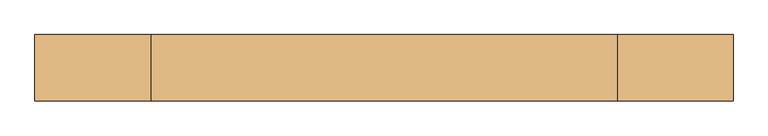
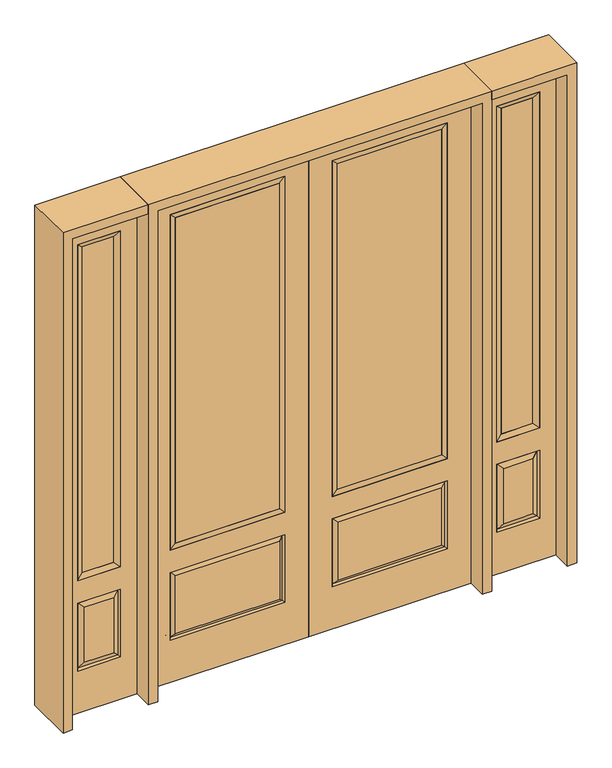
"""IFC4 building model written with IfcOpenShell, lengths in millimetres: door geometry."""

from ifc_helpers import new_model, si_unit, frame, origin, place, context, project, spatial, polyline, outline, extrude, faceted_brep, source, transform, mapped, element, save


def door_45846f29(model_context):
    return source(origin(), model_context, "Body", "SolidModel", [
        extrude(outline(polyline([(136.525, -20.32), (136.525, 5.08), (625.475, 5.08), (625.475, -20.32), (136.525, -20.32)])), frame((0.0, 0.0, 682.498), z_axis=(0.0, 0.0, 1.0), x_axis=(1.0, 0.0, 0.0)), (0.0, 0.0, 1.0), 1616.202),
        faceted_brep([(643.7661499, -12.7912373, 216.6588501), (626.26875, -22.225, 234.15625), (135.73125, -22.225, 234.15625), (118.2338501, -12.7912373, 216.6588501), (111.125, -22.225, 209.55), (650.875, -22.225, 209.55), (650.875, -22.225, 546.1), (643.7661499, -12.7912373, 538.9911499), (0.0, -22.225, 2438.4), (0.0, -22.225, 0.0), (762.0, -22.225, 0.0), (762.0, -22.225, 2438.4), (111.125, -22.225, 546.1), (111.125, -22.225, 2324.1), (650.875, -22.225, 2324.1), (650.875, -22.225, 657.098), (111.125, -22.225, 657.098), (626.26875, -22.225, 521.49375), (135.73125, -22.225, 521.49375), (118.2338501, -12.7912373, 538.9911499), (762.0, 22.225, 0.0), (762.0, 22.225, 2438.4), (0.0, 22.225, 0.0), (0.0, 22.225, 2438.4), (111.125, 22.225, 657.098), (111.125, 22.225, 2324.1), (650.875, 22.225, 657.098), (650.875, 22.225, 2324.1), (135.73125, 22.225, 234.15625), (135.73125, 22.225, 521.49375), (626.26875, 22.225, 521.49375), (626.26875, 22.225, 234.15625), (650.875, 22.225, 209.55), (650.875, 22.225, 546.1), (111.125, 22.225, 546.1), (111.125, 22.225, 209.55), (118.2338501, 12.7912373, 216.6588501), (643.7661499, 12.7912373, 216.6588501), (118.2338501, 12.7912373, 538.9911499), (643.7661499, 12.7912373, 538.9911499)], [[[0, 1, 2, 3]], [[3, 4, 5, 0]], [[5, 6, 7, 0]], [[8, 9, 10, 11], [4, 12, 6, 5], [13, 14, 15, 16]], [[1, 17, 18, 2]], [[3, 19, 12, 4]], [[2, 18, 19, 3]], [[0, 7, 17, 1]], [[6, 12, 19, 7]], [[7, 19, 18, 17]], [[10, 20, 21, 11]], [[9, 22, 20, 10]], [[8, 23, 22, 9]], [[16, 24, 25, 13]], [[15, 26, 24, 16]], [[14, 27, 26, 15]], [[28, 29, 30, 31]], [[23, 21, 20, 22], [25, 24, 26, 27], [32, 33, 34, 35]], [[32, 35, 36, 37]], [[35, 34, 38, 36]], [[39, 38, 34, 33]], [[37, 39, 33, 32]], [[36, 28, 31, 37]], [[31, 30, 39, 37]], [[30, 29, 38, 39]], [[36, 38, 29, 28]], [[11, 21, 23, 8]], [[13, 25, 27, 14]]]),
        faceted_brep([(650.875, -22.225, 2324.1), (650.875, -22.225, 657.098), (650.875, 22.225, 657.098), (650.875, 22.225, 2324.1), (111.125, -22.225, 657.098), (111.125, 22.225, 657.098), (136.525, 5.08, 682.498), (625.475, 5.08, 682.498), (111.125, -22.225, 2324.1), (111.125, 22.225, 2324.1), (625.475, -20.32, 682.498), (136.525, -20.32, 682.498), (625.475, -20.32, 2298.7), (136.525, -20.32, 2298.7), (625.475, 5.08, 2298.7), (136.525, 5.08, 2298.7)], [[[0, 1, 2, 3]], [[1, 4, 5, 2]], [[2, 5, 6, 7]], [[4, 8, 9, 5]], [[10, 11, 4, 1]], [[12, 10, 1, 0]], [[11, 13, 8, 4]], [[7, 6, 11, 10]], [[14, 7, 10, 12]], [[6, 15, 13, 11]], [[3, 2, 7, 14]], [[5, 9, 15, 6]], [[8, 0, 3, 9]], [[13, 12, 0, 8]], [[15, 14, 12, 13]], [[9, 3, 14, 15]]]),
        faceted_brep([(806.45, -22.225, 0.0), (1162.05, -22.225, 0.0), (1162.05, -22.225, 2438.4), (806.45, -22.225, 2438.4), (1084.58, -22.225, 2325.624), (1084.58, -22.225, 657.098), (883.92, -22.225, 657.098), (883.92, -22.225, 2325.624), (1084.58, -22.225, 209.55), (883.92, -22.225, 209.55), (883.92, -22.225, 546.1), (1084.58, -22.225, 546.1), (915.6351001, -22.225, 241.2651001), (1052.8648999, -22.225, 241.2651001), (1052.8648999, -22.225, 514.3848999), (915.6351001, -22.225, 514.3848999), (806.45, 22.225, 0.0), (806.45, 22.225, 2438.4), (1162.05, 22.225, 2438.4), (1162.05, 22.225, 0.0), (1084.58, 22.225, 2325.624), (883.92, 22.225, 2325.624), (883.92, 22.225, 657.098), (1084.58, 22.225, 657.098), (883.92, 22.225, 209.55), (1084.58, 22.225, 209.55), (1084.58, 22.225, 546.1), (883.92, 22.225, 546.1), (1052.8648999, 22.225, 241.2651001), (915.6351001, 22.225, 241.2651001), (915.6351001, 22.225, 514.3848999), (1052.8648999, 22.225, 514.3848999), (1077.4711499, 12.7912373, 216.6588501), (891.0288501, 12.7912373, 216.6588501), (891.0288501, 12.7912373, 538.9911499), (1077.4711499, 12.7912373, 538.9911499), (891.0288501, -12.7912373, 216.6588501), (1077.4711499, -12.7912373, 216.6588501), (891.0288501, -12.7912373, 538.9911499), (1077.4711499, -12.7912373, 538.9911499)], [[[0, 1, 2, 3], [4, 5, 6, 7], [8, 9, 10, 11]], [[12, 13, 14, 15]], [[16, 17, 18, 19], [20, 21, 22, 23], [24, 25, 26, 27]], [[28, 29, 30, 31]], [[1, 0, 16, 19]], [[2, 1, 19, 18]], [[3, 2, 18, 17]], [[0, 3, 17, 16]], [[5, 4, 20, 23]], [[6, 5, 23, 22]], [[7, 6, 22, 21]], [[4, 7, 21, 20]], [[32, 33, 29, 28]], [[33, 32, 25, 24]], [[29, 33, 34, 30]], [[33, 24, 27, 34]], [[30, 34, 35, 31]], [[34, 27, 26, 35]], [[32, 28, 31, 35]], [[25, 32, 35, 26]], [[12, 36, 37, 13]], [[37, 36, 9, 8]], [[36, 12, 15, 38]], [[9, 36, 38, 10]], [[38, 15, 14, 39]], [[10, 38, 39, 11]], [[13, 37, 39, 14]], [[37, 8, 11, 39]]]),
        faceted_brep([(883.92, 22.225, 2325.624), (883.92, -22.225, 2325.624), (1084.58, -22.225, 2325.624), (1084.58, 22.225, 2325.624), (909.32, 12.7, 2300.224), (1059.18, 12.7, 2300.224), (909.32, -12.7, 2300.224), (1059.18, -12.7, 2300.224), (1084.58, -22.225, 657.098), (1084.58, 22.225, 657.098), (1059.18, 12.7, 682.498), (1059.18, -12.7, 682.498), (883.92, -22.225, 657.098), (883.92, 22.225, 657.098), (909.32, 12.7, 682.498), (909.32, -12.7, 682.498)], [[[0, 1, 2, 3]], [[4, 0, 3, 5]], [[6, 4, 5, 7]], [[1, 6, 7, 2]], [[3, 2, 8, 9]], [[5, 3, 9, 10]], [[7, 5, 10, 11]], [[2, 7, 11, 8]], [[9, 8, 12, 13]], [[10, 9, 13, 14]], [[11, 10, 14, 15]], [[8, 11, 15, 12]], [[13, 12, 1, 0]], [[14, 13, 0, 4]], [[15, 14, 4, 6]], [[12, 15, 6, 1]]]),
        extrude(outline(polyline([(1059.18, -12.7), (909.32, -12.7), (909.32, 12.7), (1059.18, 12.7), (1059.18, -12.7)])), frame((0.0, 0.0, 682.498), z_axis=(0.0, 0.0, 1.0), x_axis=(1.0, 0.0, 0.0)), (0.0, 0.0, 1.0), 1617.726),
        faceted_brep([(-1162.05, -22.225, 0.0), (-806.45, -22.225, 0.0), (-806.45, -22.225, 2438.4), (-1162.05, -22.225, 2438.4), (-883.92, -22.225, 2325.624), (-883.92, -22.225, 657.098), (-1084.58, -22.225, 657.098), (-1084.58, -22.225, 2325.624), (-883.92, -22.225, 209.55), (-1084.58, -22.225, 209.55), (-1084.58, -22.225, 546.1), (-883.92, -22.225, 546.1), (-1052.8648999, -22.225, 241.2651001), (-915.6351001, -22.225, 241.2651001), (-915.6351001, -22.225, 514.3848999), (-1052.8648999, -22.225, 514.3848999), (-1162.05, 22.225, 0.0), (-1162.05, 22.225, 2438.4), (-806.45, 22.225, 2438.4), (-806.45, 22.225, 0.0), (-883.92, 22.225, 2325.624), (-1084.58, 22.225, 2325.624), (-1084.58, 22.225, 657.098), (-883.92, 22.225, 657.098), (-1084.58, 22.225, 209.55), (-883.92, 22.225, 209.55), (-883.92, 22.225, 546.1), (-1084.58, 22.225, 546.1), (-915.6351001, 22.225, 241.2651001), (-1052.8648999, 22.225, 241.2651001), (-1052.8648999, 22.225, 514.3848999), (-915.6351001, 22.225, 514.3848999), (-891.0288501, 12.7912373, 216.6588501), (-1077.4711499, 12.7912373, 216.6588501), (-1077.4711499, 12.7912373, 538.9911499), (-891.0288501, 12.7912373, 538.9911499), (-1077.4711499, -12.7912373, 216.6588501), (-891.0288501, -12.7912373, 216.6588501), (-1077.4711499, -12.7912373, 538.9911499), (-891.0288501, -12.7912373, 538.9911499)], [[[0, 1, 2, 3], [4, 5, 6, 7], [8, 9, 10, 11]], [[12, 13, 14, 15]], [[16, 17, 18, 19], [20, 21, 22, 23], [24, 25, 26, 27]], [[28, 29, 30, 31]], [[1, 0, 16, 19]], [[2, 1, 19, 18]], [[3, 2, 18, 17]], [[0, 3, 17, 16]], [[5, 4, 20, 23]], [[6, 5, 23, 22]], [[7, 6, 22, 21]], [[4, 7, 21, 20]], [[32, 33, 29, 28]], [[33, 32, 25, 24]], [[29, 33, 34, 30]], [[33, 24, 27, 34]], [[30, 34, 35, 31]], [[34, 27, 26, 35]], [[32, 28, 31, 35]], [[25, 32, 35, 26]], [[12, 36, 37, 13]], [[37, 36, 9, 8]], [[36, 12, 15, 38]], [[9, 36, 38, 10]], [[38, 15, 14, 39]], [[10, 38, 39, 11]], [[13, 37, 39, 14]], [[37, 8, 11, 39]]]),
        faceted_brep([(-1084.58, 22.225, 2325.624), (-1084.58, -22.225, 2325.624), (-883.92, -22.225, 2325.624), (-883.92, 22.225, 2325.624), (-1059.18, 12.7, 2300.224), (-909.32, 12.7, 2300.224), (-1059.18, -12.7, 2300.224), (-909.32, -12.7, 2300.224), (-883.92, -22.225, 657.098), (-883.92, 22.225, 657.098), (-909.32, 12.7, 682.498), (-909.32, -12.7, 682.498), (-1084.58, -22.225, 657.098), (-1084.58, 22.225, 657.098), (-1059.18, 12.7, 682.498), (-1059.18, -12.7, 682.498)], [[[0, 1, 2, 3]], [[4, 0, 3, 5]], [[6, 4, 5, 7]], [[1, 6, 7, 2]], [[3, 2, 8, 9]], [[5, 3, 9, 10]], [[7, 5, 10, 11]], [[2, 7, 11, 8]], [[9, 8, 12, 13]], [[10, 9, 13, 14]], [[11, 10, 14, 15]], [[8, 11, 15, 12]], [[13, 12, 1, 0]], [[14, 13, 0, 4]], [[15, 14, 4, 6]], [[12, 15, 6, 1]]]),
        extrude(outline(polyline([(-909.32, -12.7), (-1059.18, -12.7), (-1059.18, 12.7), (-909.32, 12.7), (-909.32, -12.7)])), frame((0.0, 0.0, 682.498), z_axis=(0.0, 0.0, 1.0), x_axis=(1.0, 0.0, 0.0)), (0.0, 0.0, 1.0), 1617.726),
        extrude(outline(polyline([(-136.525, -20.32), (-625.475, -20.32), (-625.475, 5.08), (-136.525, 5.08), (-136.525, -20.32)])), frame((0.0, 0.0, 682.498), z_axis=(0.0, 0.0, 1.0), x_axis=(1.0, 0.0, 0.0)), (0.0, 0.0, 1.0), 1616.202),
        faceted_brep([(-643.7661499, -12.7912373, 216.6588501), (-118.2338501, -12.7912373, 216.6588501), (-135.73125, -22.225, 234.15625), (-626.26875, -22.225, 234.15625), (-650.875, -22.225, 209.55), (-111.125, -22.225, 209.55), (-643.7661499, -12.7912373, 538.9911499), (-650.875, -22.225, 546.1), (-135.73125, -22.225, 521.49375), (-626.26875, -22.225, 521.49375), (0.0, -22.225, 2438.4), (-762.0, -22.225, 2438.4), (-762.0, -22.225, 0.0), (0.0, -22.225, 0.0), (-111.125, -22.225, 546.1), (-111.125, -22.225, 2324.1), (-111.125, -22.225, 657.098), (-650.875, -22.225, 657.098), (-650.875, -22.225, 2324.1), (-118.2338501, -12.7912373, 538.9911499), (-762.0, 22.225, 2438.4), (-762.0, 22.225, 0.0), (0.0, 22.225, 0.0), (0.0, 22.225, 2438.4), (-111.125, 22.225, 2324.1), (-111.125, 22.225, 657.098), (-650.875, 22.225, 657.098), (-650.875, 22.225, 2324.1), (-650.875, 22.225, 209.55), (-111.125, 22.225, 209.55), (-111.125, 22.225, 546.1), (-650.875, 22.225, 546.1), (-135.73125, 22.225, 234.15625), (-626.26875, 22.225, 234.15625), (-626.26875, 22.225, 521.49375), (-135.73125, 22.225, 521.49375), (-643.7661499, 12.7912373, 216.6588501), (-118.2338501, 12.7912373, 216.6588501), (-118.2338501, 12.7912373, 538.9911499), (-643.7661499, 12.7912373, 538.9911499)], [[[0, 1, 2, 3]], [[1, 0, 4, 5]], [[4, 0, 6, 7]], [[3, 2, 8, 9]], [[10, 11, 12, 13], [5, 4, 7, 14], [15, 16, 17, 18]], [[1, 5, 14, 19]], [[2, 1, 19, 8]], [[0, 3, 9, 6]], [[7, 6, 19, 14]], [[6, 9, 8, 19]], [[12, 11, 20, 21]], [[13, 12, 21, 22]], [[10, 13, 22, 23]], [[16, 15, 24, 25]], [[17, 16, 25, 26]], [[18, 17, 26, 27]], [[23, 22, 21, 20], [28, 29, 30, 31], [24, 27, 26, 25]], [[32, 33, 34, 35]], [[28, 36, 37, 29]], [[29, 37, 38, 30]], [[39, 31, 30, 38]], [[36, 28, 31, 39]], [[37, 36, 33, 32]], [[33, 36, 39, 34]], [[34, 39, 38, 35]], [[37, 32, 35, 38]], [[11, 10, 23, 20]], [[15, 18, 27, 24]]]),
        faceted_brep([(-650.875, -22.225, 2324.1), (-650.875, 22.225, 2324.1), (-650.875, 22.225, 657.098), (-650.875, -22.225, 657.098), (-111.125, 22.225, 657.098), (-111.125, -22.225, 657.098), (-625.475, 5.08, 682.498), (-136.525, 5.08, 682.498), (-111.125, 22.225, 2324.1), (-111.125, -22.225, 2324.1), (-625.475, -20.32, 682.498), (-136.525, -20.32, 682.498), (-625.475, -20.32, 2298.7), (-136.525, -20.32, 2298.7), (-625.475, 5.08, 2298.7), (-136.525, 5.08, 2298.7)], [[[0, 1, 2, 3]], [[3, 2, 4, 5]], [[2, 6, 7, 4]], [[5, 4, 8, 9]], [[10, 3, 5, 11]], [[12, 0, 3, 10]], [[11, 5, 9, 13]], [[6, 10, 11, 7]], [[14, 12, 10, 6]], [[7, 11, 13, 15]], [[1, 14, 6, 2]], [[4, 7, 15, 8]], [[9, 8, 1, 0]], [[13, 9, 0, 12]], [[15, 13, 12, 14]], [[8, 15, 14, 1]]]),
        extrude(outline(polyline([(2438.4, -806.45), (2482.85, -806.45), (2482.85, -1206.5), (0.0, -1206.5), (0.0, -1162.05), (2438.4, -1162.05), (2438.4, -806.45)])), frame((0.0, -114.3, 0.0), z_axis=(0.0, 1.0, 0.0), x_axis=(0.0, 0.0, 1.0)), (0.0, 0.0, 1.0), 228.6),
        extrude(outline(polyline([(2482.85, -806.45), (0.0, -806.45), (0.0, -762.0), (2438.4, -762.0), (2438.4, 762.0), (0.0, 762.0), (0.0, 806.45), (2482.85, 806.45), (2482.85, -806.45)])), frame((0.0, -114.3, 0.0), z_axis=(0.0, 1.0, 0.0), x_axis=(0.0, 0.0, 1.0)), (0.0, 0.0, 1.0), 228.6),
        extrude(outline(polyline([(0.0, 1162.05), (0.0, 1206.5), (2482.85, 1206.5), (2482.85, 806.45), (2438.4, 806.45), (2438.4, 1162.05), (0.0, 1162.05)])), frame((0.0, -114.3, 0.0), z_axis=(0.0, 1.0, 0.0), x_axis=(0.0, 0.0, 1.0)), (0.0, 0.0, 1.0), 228.6),
    ])


if __name__ == "__main__":
    model = new_model("IFC4")
    model_context = context("Model", 3, world=origin())
    ifc_project = project(units=[si_unit("LENGTHUNIT", "METRE", prefix="MILLI")], contexts=[model_context])
    site = spatial("IfcSite", under=ifc_project)
    building = spatial("IfcBuilding", under=site)
    placement = place(None, origin())
    door_shape = door_45846f29(model_context)
    element("IfcDoor", 1, at=placement, inside=building, context=model_context, shape_type="MappedRepresentation", body=[
        mapped(door_shape, transform((0.0, 0.0, 0.0), x_axis=(1.0, 0.0, 0.0), y_axis=(0.0, 1.0, 0.0), z_axis=(0.0, 0.0, 1.0))),
    ])
    save(model, "model.ifc")
